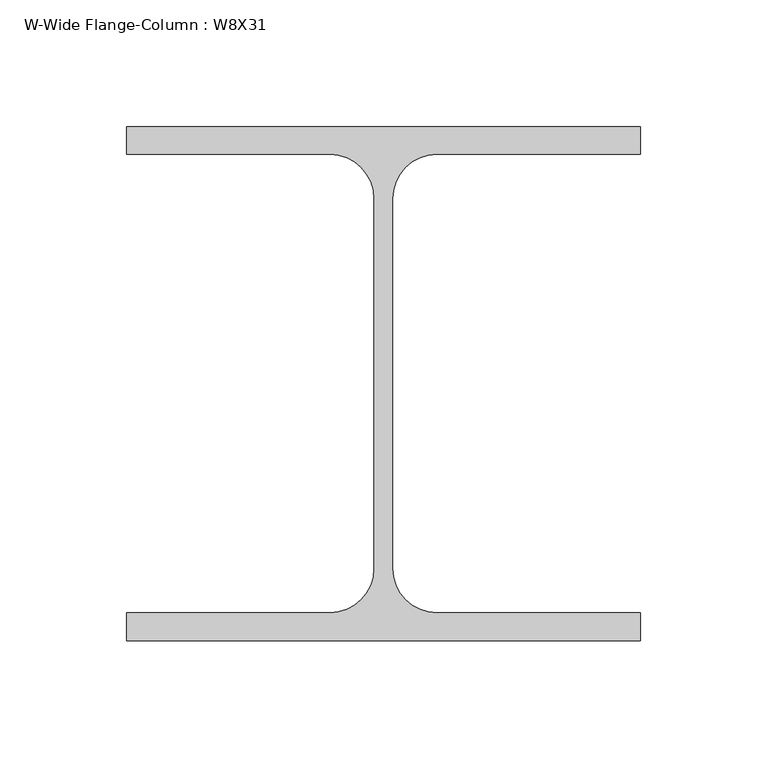
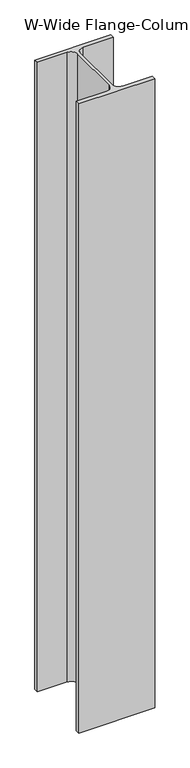
"""IFC4 building model written with IfcOpenShell, lengths in millimetres: column geometry, W-Wide Flange-Column : W8X31."""

from ifc_helpers import new_model, si_unit, point, frame, frame_2d, origin, place, context, project, spatial, polyline, circle_curve, trimmed, segment, composite_curve, outline, extrude, source, transform, mapped, element, save


def w_wide_flange_column_w8x31_28103b56(model_context):
    return source(origin(), model_context, "Body", "SweptSolid", [
        extrude(outline(composite_curve([segment(polyline([(101.6, 101.6), (101.6, 90.551), (21.1455, 90.551)]), True, "CONTINUOUS"), segment(trimmed(circle_curve(frame_2d((21.1455, 73.025)), 17.526), [point((21.1455, 90.551))], [point((3.6195, 73.025))], True, "CARTESIAN"), True, "CONTINUOUS"), segment(polyline([(3.6195, 73.025), (3.6195, -73.025)]), True, "CONTINUOUS"), segment(trimmed(circle_curve(frame_2d((21.1455, -73.025)), 17.526), [point((3.6195, -73.025))], [point((21.1455, -90.551))], True, "CARTESIAN"), True, "CONTINUOUS"), segment(polyline([(21.1455, -90.551), (101.6, -90.551), (101.6, -101.6), (-101.6, -101.6), (-101.6, -90.551), (-21.1455, -90.551)]), True, "CONTINUOUS"), segment(trimmed(circle_curve(frame_2d((-21.1455, -73.025)), 17.526), [point((-21.1455, -90.551))], [point((-3.6195, -73.025))], True, "CARTESIAN"), True, "CONTINUOUS"), segment(polyline([(-3.6195, -73.025), (-3.6195, 73.025)]), True, "CONTINUOUS"), segment(trimmed(circle_curve(frame_2d((-21.1455, 73.025)), 17.526), [point((-3.6195, 73.025))], [point((-21.1455, 90.551))], True, "CARTESIAN"), True, "CONTINUOUS"), segment(polyline([(-21.1455, 90.551), (-101.6, 90.551), (-101.6, 101.6), (101.6, 101.6)]), True, "CONTINUOUS")], self_intersect=False)), frame((0.0, 0.0, -1879.6), z_axis=(0.0, 0.0, 1.0), x_axis=(1.0, 0.0, 0.0)), (0.0, 0.0, 1.0), 1778.0),
    ])


if __name__ == "__main__":
    model = new_model("IFC4")
    model_context = context("Model", 3, world=origin())
    ifc_project = project(units=[si_unit("LENGTHUNIT", "METRE", prefix="MILLI")], contexts=[model_context])
    site = spatial("IfcSite", under=ifc_project)
    building = spatial("IfcBuilding", under=site)
    placement = place(None, origin())
    w_wide_flange_column_w8x31_shape = w_wide_flange_column_w8x31_28103b56(model_context)
    element("IfcColumn", 1, ObjectType="W-Wide Flange-Column : W8X31", at=placement, inside=building, context=model_context, shape_type="MappedRepresentation", body=[
        mapped(w_wide_flange_column_w8x31_shape, transform((0.0, 0.0, 0.0), x_axis=(1.0, 0.0, 0.0), y_axis=(0.0, 1.0, 0.0), z_axis=(0.0, 0.0, 1.0))),
    ])
    save(model, "model.ifc")
